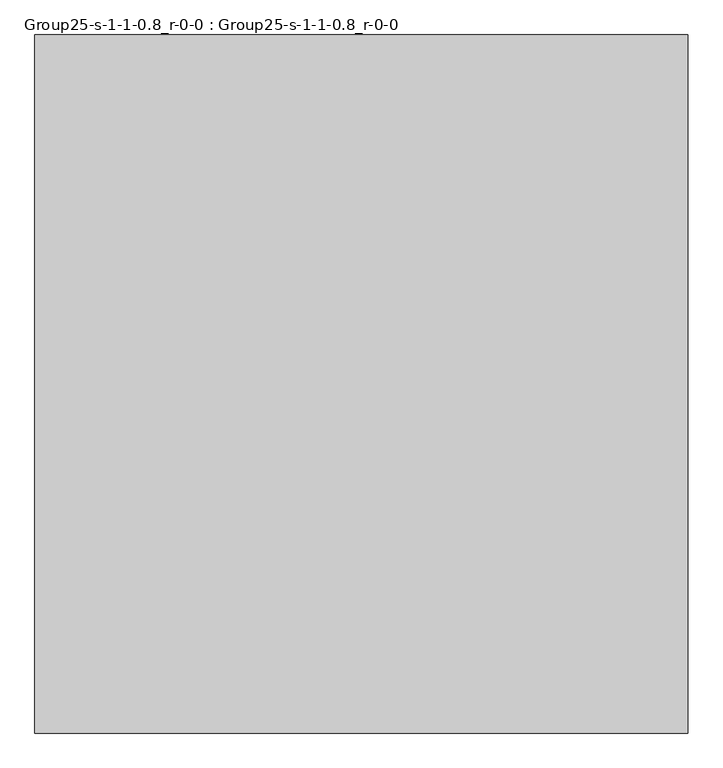
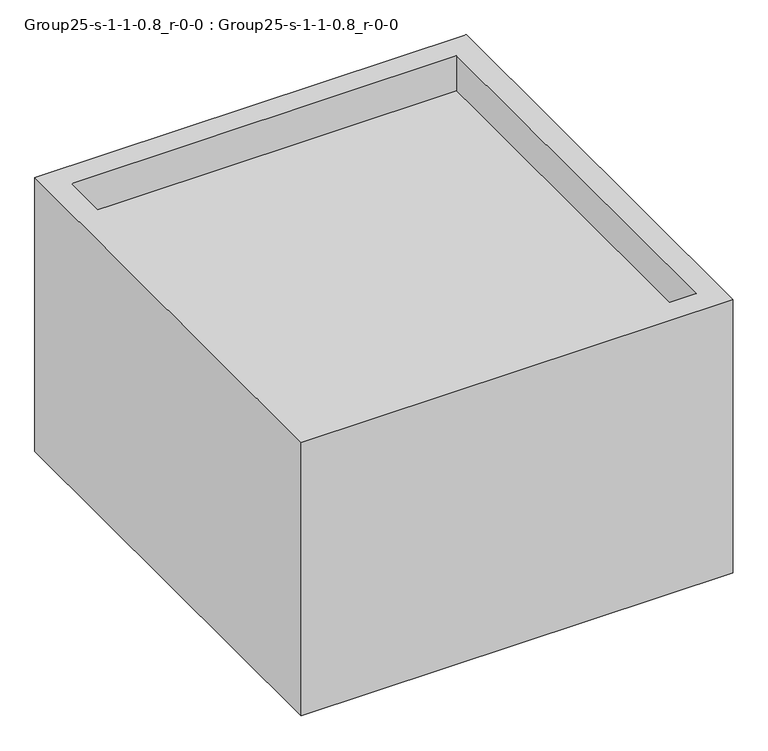
"""IFC4 building model written with IfcOpenShell, lengths in millimetres: geographic element geometry, Group25-s-1-1-0.8_r-0-0 : Group25-s-1-1-0.8_r-0-0."""

from ifc_helpers import new_model, si_unit, origin, place, context, project, spatial, triangles, source, transform, mapped, element, save


def group25_s_1_1_0_8_r_0_0_group25_s_1_1_0_8_r_0_0_e851d3ac(model_context):
    return source(origin(), model_context, "Body", "Tessellation", [
        triangles([(5678.055162, 7135.8126938, 0.0), (0.0, 1067.3790344, 0.0), (0.0, 7135.8126938, 0.0), (5678.055162, 1067.3790344, 0.0), (5373.255162, 6831.0126938, 3807.092038), (304.8, 6831.0126938, 3319.4119217), (5373.255162, 6831.0126938, 3319.4119217), (304.8, 6831.0126938, 3807.092038), (0.0, 7135.8126938, 3807.092038), (5678.055162, 7135.8126938, 3807.092038), (5373.255162, 1372.1790344, 3319.4119217), (304.8, 1372.1790344, 3319.4119217), (5678.055162, 1067.3790344, 3807.092038), (304.8, 1372.1790344, 3807.092038), (5373.255162, 1372.1790344, 3807.092038), (0.0, 1067.3790344, 3807.092038)], [[1, 2, 3], [2, 1, 4], [5, 6, 7], [6, 5, 8], [9, 1, 3], [1, 9, 10], [11, 6, 12], [6, 11, 7], [1, 13, 4], [13, 1, 10], [14, 11, 12], [11, 14, 15], [16, 14, 9], [14, 16, 13], [14, 13, 15], [15, 13, 5], [9, 8, 10], [8, 9, 14], [10, 8, 5], [10, 5, 13], [5, 11, 15], [11, 5, 7], [6, 14, 12], [14, 6, 8], [13, 2, 4], [2, 13, 16], [9, 2, 16], [2, 9, 3]]),
    ])


if __name__ == "__main__":
    model = new_model("IFC4")
    model_context = context("Model", 3, world=origin())
    ifc_project = project(units=[si_unit("LENGTHUNIT", "METRE", prefix="MILLI")], contexts=[model_context])
    site = spatial("IfcSite", under=ifc_project)
    building = spatial("IfcBuilding", under=site)
    placement = place(None, origin())
    group25_s_1_1_0_8_r_0_0_group25_s_1_1_0_8_r_0_0_shape = group25_s_1_1_0_8_r_0_0_group25_s_1_1_0_8_r_0_0_e851d3ac(model_context)
    element("IfcGeographicElement", 1, ObjectType="Group25-s-1-1-0.8_r-0-0 : Group25-s-1-1-0.8_r-0-0", at=placement, inside=building, context=model_context, shape_type="MappedRepresentation", body=[
        mapped(group25_s_1_1_0_8_r_0_0_group25_s_1_1_0_8_r_0_0_shape, transform((0.0, 0.0, 0.0), x_axis=(1.0, 0.0, 0.0), y_axis=(0.0, 1.0, 0.0), z_axis=(0.0, 0.0, 1.0))),
    ])
    save(model, "model.ifc")
